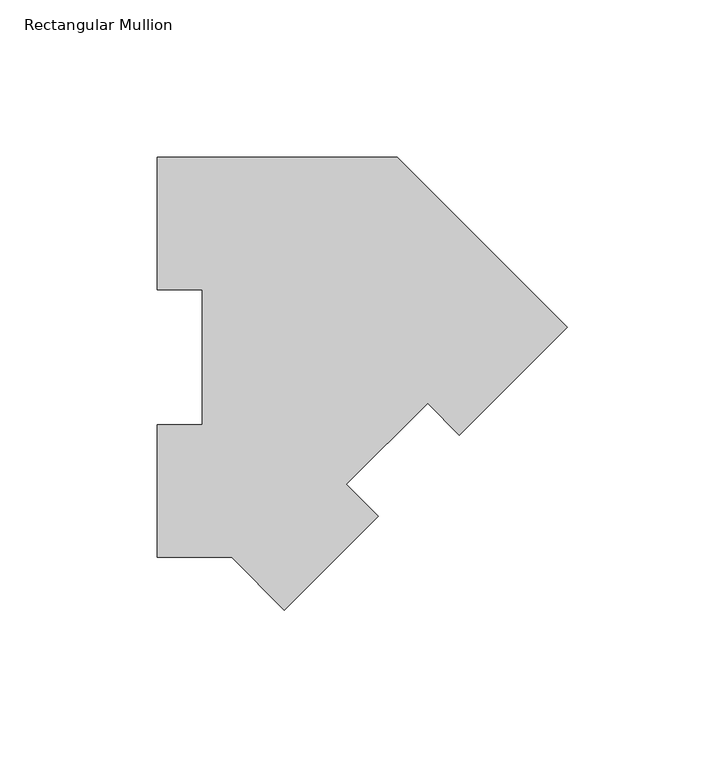
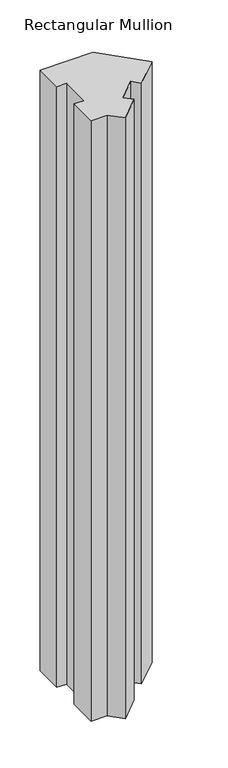
"""IFC4 building model written with IfcOpenShell, lengths in millimetres: member geometry, Rectangular Mullion."""

from ifc_helpers import new_model, si_unit, frame, origin, place, context, project, spatial, polyline, outline, extrude, source, transform, mapped, element, save


def rectangular_mullion_e9fe6583(model_context):
    return source(origin(), model_context, "Body", "SweptSolid", [
        extrude(outline(polyline([(-130.0815367, 127.00635), (-53.8815367, 127.00635), (0.0, 73.1248133), (-34.2417166, 38.8830967), (-44.3445047, 48.9858848), (-70.1537608, 23.1766287), (-60.0509727, 13.0738406), (-89.8025612, -16.6777479), (-106.4866592, 0.00635), (-130.0815367, 0.00635), (-130.0815367, 42.08145), (-115.7940367, 42.08145), (-115.7940367, 84.93125), (-130.0815367, 84.93125), (-130.0815367, 127.00635)])), frame((0.0, 0.0, -914.4), z_axis=(0.0, 0.0, 1.0), x_axis=(1.0, 0.0, 0.0)), (0.0, 0.0, 1.0), 914.4),
    ])


if __name__ == "__main__":
    model = new_model("IFC4")
    model_context = context("Model", 3, world=origin())
    ifc_project = project(units=[si_unit("LENGTHUNIT", "METRE", prefix="MILLI")], contexts=[model_context])
    site = spatial("IfcSite", under=ifc_project)
    building = spatial("IfcBuilding", under=site)
    placement = place(None, origin())
    rectangular_mullion_shape = rectangular_mullion_e9fe6583(model_context)
    element("IfcMember", 1, ObjectType="Rectangular Mullion", at=placement, inside=building, context=model_context, shape_type="MappedRepresentation", body=[
        mapped(rectangular_mullion_shape, transform((0.0, 0.0, 0.0), x_axis=(1.0, 0.0, 0.0), y_axis=(0.0, 1.0, 0.0), z_axis=(0.0, 0.0, 1.0))),
    ])
    save(model, "model.ifc")
